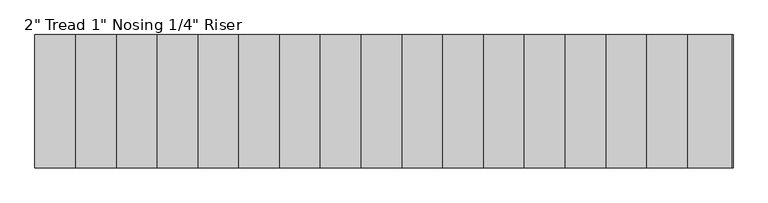
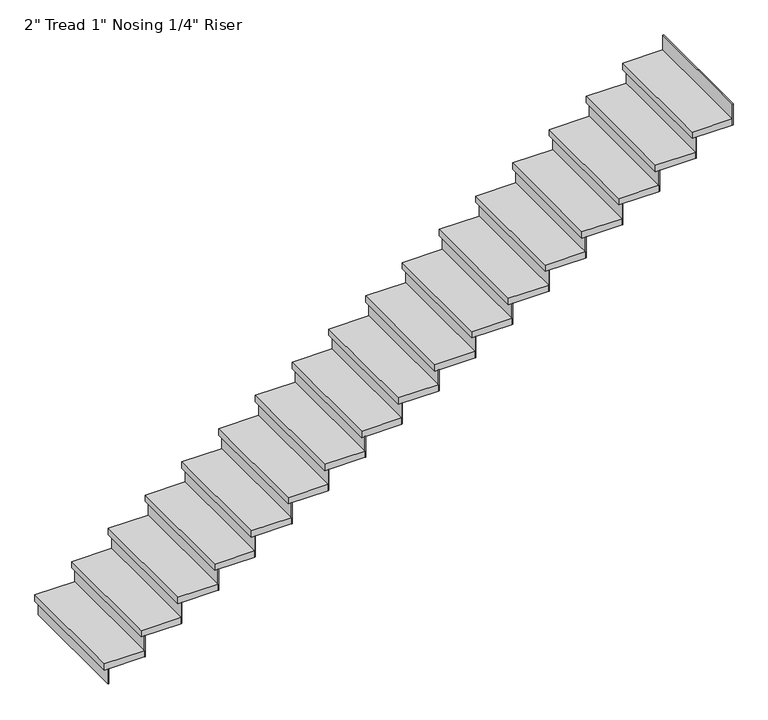
"""IFC4 building model written with IfcOpenShell, lengths in millimetres: stair flight geometry."""

from ifc_helpers import new_model, si_unit, frame, origin, origin_with_axes, place, context, project, spatial, polyline, outline, extrude, source, transform, mapped, element, save


def stair_flight_2fd9d57e(model_context):
    return source(origin(), model_context, "Body", "SweptSolid", [
        extrude(outline(polyline([(27521.2479917, 18465.9116882), (27514.8979917, 18465.9116882), (27514.8979917, 19380.3116882), (27521.2479917, 19380.3116882), (27521.2479917, 18465.9116882)])), origin_with_axes(), (0.0, 0.0, 1.0), 118.5333333),
        extrude(outline(polyline([(27794.2979917, 19380.3116882), (27794.2979917, 18465.9116882), (27489.4979917, 18465.9116882), (27489.4979917, 19380.3116882), (27794.2979917, 19380.3116882)])), frame((0.0, 0.0, 118.5333333), z_axis=(0.0, 0.0, 1.0), x_axis=(1.0, 0.0, 0.0)), (0.0, 0.0, 1.0), 50.8),
        extrude(outline(polyline([(27800.6479917, 18465.9116882), (27794.2979917, 18465.9116882), (27794.2979917, 19380.3116882), (27800.6479917, 19380.3116882), (27800.6479917, 18465.9116882)])), frame((0.0, 0.0, 118.5333333), z_axis=(0.0, 0.0, 1.0), x_axis=(1.0, 0.0, 0.0)), (0.0, 0.0, 1.0), 169.3333333),
        extrude(outline(polyline([(28073.6979917, 19380.3116882), (28073.6979917, 18465.9116882), (27768.8979917, 18465.9116882), (27768.8979917, 19380.3116882), (28073.6979917, 19380.3116882)])), frame((0.0, 0.0, 287.8666667), z_axis=(0.0, 0.0, 1.0), x_axis=(1.0, 0.0, 0.0)), (0.0, 0.0, 1.0), 50.8),
        extrude(outline(polyline([(28080.0479917, 18465.9116882), (28073.6979917, 18465.9116882), (28073.6979917, 19380.3116882), (28080.0479917, 19380.3116882), (28080.0479917, 18465.9116882)])), frame((0.0, 0.0, 287.8666667), z_axis=(0.0, 0.0, 1.0), x_axis=(1.0, 0.0, 0.0)), (0.0, 0.0, 1.0), 169.3333333),
        extrude(outline(polyline([(28353.0979917, 19380.3116882), (28353.0979917, 18465.9116882), (28048.2979917, 18465.9116882), (28048.2979917, 19380.3116882), (28353.0979917, 19380.3116882)])), frame((0.0, 0.0, 457.2), z_axis=(0.0, 0.0, 1.0), x_axis=(1.0, 0.0, 0.0)), (0.0, 0.0, 1.0), 50.8),
        extrude(outline(polyline([(28359.4479917, 18465.9116882), (28353.0979917, 18465.9116882), (28353.0979917, 19380.3116882), (28359.4479917, 19380.3116882), (28359.4479917, 18465.9116882)])), frame((0.0, 0.0, 457.2), z_axis=(0.0, 0.0, 1.0), x_axis=(1.0, 0.0, 0.0)), (0.0, 0.0, 1.0), 169.3333333),
        extrude(outline(polyline([(28632.4979917, 19380.3116882), (28632.4979917, 18465.9116882), (28327.6979917, 18465.9116882), (28327.6979917, 19380.3116882), (28632.4979917, 19380.3116882)])), frame((0.0, 0.0, 626.5333333), z_axis=(0.0, 0.0, 1.0), x_axis=(1.0, 0.0, 0.0)), (0.0, 0.0, 1.0), 50.8),
        extrude(outline(polyline([(28638.8479917, 18465.9116882), (28632.4979917, 18465.9116882), (28632.4979917, 19380.3116882), (28638.8479917, 19380.3116882), (28638.8479917, 18465.9116882)])), frame((0.0, 0.0, 626.5333333), z_axis=(0.0, 0.0, 1.0), x_axis=(1.0, 0.0, 0.0)), (0.0, 0.0, 1.0), 169.3333333),
        extrude(outline(polyline([(28911.8979917, 19380.3116882), (28911.8979917, 18465.9116882), (28607.0979917, 18465.9116882), (28607.0979917, 19380.3116882), (28911.8979917, 19380.3116882)])), frame((0.0, 0.0, 795.8666667), z_axis=(0.0, 0.0, 1.0), x_axis=(1.0, 0.0, 0.0)), (0.0, 0.0, 1.0), 50.8),
        extrude(outline(polyline([(28918.2479917, 18465.9116882), (28911.8979917, 18465.9116882), (28911.8979917, 19380.3116882), (28918.2479917, 19380.3116882), (28918.2479917, 18465.9116882)])), frame((0.0, 0.0, 795.8666667), z_axis=(0.0, 0.0, 1.0), x_axis=(1.0, 0.0, 0.0)), (0.0, 0.0, 1.0), 169.3333333),
        extrude(outline(polyline([(29191.2979917, 19380.3116882), (29191.2979917, 18465.9116882), (28886.4979917, 18465.9116882), (28886.4979917, 19380.3116882), (29191.2979917, 19380.3116882)])), frame((0.0, 0.0, 965.2), z_axis=(0.0, 0.0, 1.0), x_axis=(1.0, 0.0, 0.0)), (0.0, 0.0, 1.0), 50.8),
        extrude(outline(polyline([(29197.6479917, 18465.9116882), (29191.2979917, 18465.9116882), (29191.2979917, 19380.3116882), (29197.6479917, 19380.3116882), (29197.6479917, 18465.9116882)])), frame((0.0, 0.0, 965.2), z_axis=(0.0, 0.0, 1.0), x_axis=(1.0, 0.0, 0.0)), (0.0, 0.0, 1.0), 169.3333333),
        extrude(outline(polyline([(29470.6979917, 19380.3116882), (29470.6979917, 18465.9116882), (29165.8979917, 18465.9116882), (29165.8979917, 19380.3116882), (29470.6979917, 19380.3116882)])), frame((0.0, 0.0, 1134.5333333), z_axis=(0.0, 0.0, 1.0), x_axis=(1.0, 0.0, 0.0)), (0.0, 0.0, 1.0), 50.8),
        extrude(outline(polyline([(29477.0479917, 18465.9116882), (29470.6979917, 18465.9116882), (29470.6979917, 19380.3116882), (29477.0479917, 19380.3116882), (29477.0479917, 18465.9116882)])), frame((0.0, 0.0, 1134.5333333), z_axis=(0.0, 0.0, 1.0), x_axis=(1.0, 0.0, 0.0)), (0.0, 0.0, 1.0), 169.3333333),
        extrude(outline(polyline([(29750.0979917, 19380.3116882), (29750.0979917, 18465.9116882), (29445.2979917, 18465.9116882), (29445.2979917, 19380.3116882), (29750.0979917, 19380.3116882)])), frame((0.0, 0.0, 1303.8666667), z_axis=(0.0, 0.0, 1.0), x_axis=(1.0, 0.0, 0.0)), (0.0, 0.0, 1.0), 50.8),
        extrude(outline(polyline([(29756.4479917, 18465.9116882), (29750.0979917, 18465.9116882), (29750.0979917, 19380.3116882), (29756.4479917, 19380.3116882), (29756.4479917, 18465.9116882)])), frame((0.0, 0.0, 1303.8666667), z_axis=(0.0, 0.0, 1.0), x_axis=(1.0, 0.0, 0.0)), (0.0, 0.0, 1.0), 169.3333333),
        extrude(outline(polyline([(30029.4979917, 19380.3116882), (30029.4979917, 18465.9116882), (29724.6979917, 18465.9116882), (29724.6979917, 19380.3116882), (30029.4979917, 19380.3116882)])), frame((0.0, 0.0, 1473.2), z_axis=(0.0, 0.0, 1.0), x_axis=(1.0, 0.0, 0.0)), (0.0, 0.0, 1.0), 50.8),
        extrude(outline(polyline([(30035.8479917, 18465.9116882), (30029.4979917, 18465.9116882), (30029.4979917, 19380.3116882), (30035.8479917, 19380.3116882), (30035.8479917, 18465.9116882)])), frame((0.0, 0.0, 1473.2), z_axis=(0.0, 0.0, 1.0), x_axis=(1.0, 0.0, 0.0)), (0.0, 0.0, 1.0), 169.3333333),
        extrude(outline(polyline([(30308.8979917, 19380.3116882), (30308.8979917, 18465.9116882), (30004.0979917, 18465.9116882), (30004.0979917, 19380.3116882), (30308.8979917, 19380.3116882)])), frame((0.0, 0.0, 1642.5333333), z_axis=(0.0, 0.0, 1.0), x_axis=(1.0, 0.0, 0.0)), (0.0, 0.0, 1.0), 50.8),
        extrude(outline(polyline([(30315.2479917, 18465.9116882), (30308.8979917, 18465.9116882), (30308.8979917, 19380.3116882), (30315.2479917, 19380.3116882), (30315.2479917, 18465.9116882)])), frame((0.0, 0.0, 1642.5333333), z_axis=(0.0, 0.0, 1.0), x_axis=(1.0, 0.0, 0.0)), (0.0, 0.0, 1.0), 169.3333333),
        extrude(outline(polyline([(30588.2979917, 19380.3116882), (30588.2979917, 18465.9116882), (30283.4979917, 18465.9116882), (30283.4979917, 19380.3116882), (30588.2979917, 19380.3116882)])), frame((0.0, 0.0, 1811.8666667), z_axis=(0.0, 0.0, 1.0), x_axis=(1.0, 0.0, 0.0)), (0.0, 0.0, 1.0), 50.8),
        extrude(outline(polyline([(30594.6479917, 18465.9116882), (30588.2979917, 18465.9116882), (30588.2979917, 19380.3116882), (30594.6479917, 19380.3116882), (30594.6479917, 18465.9116882)])), frame((0.0, 0.0, 1811.8666667), z_axis=(0.0, 0.0, 1.0), x_axis=(1.0, 0.0, 0.0)), (0.0, 0.0, 1.0), 169.3333333),
        extrude(outline(polyline([(30867.6979917, 19380.3116882), (30867.6979917, 18465.9116882), (30562.8979917, 18465.9116882), (30562.8979917, 19380.3116882), (30867.6979917, 19380.3116882)])), frame((0.0, 0.0, 1981.2), z_axis=(0.0, 0.0, 1.0), x_axis=(1.0, 0.0, 0.0)), (0.0, 0.0, 1.0), 50.8),
        extrude(outline(polyline([(30874.0479917, 18465.9116882), (30867.6979917, 18465.9116882), (30867.6979917, 19380.3116882), (30874.0479917, 19380.3116882), (30874.0479917, 18465.9116882)])), frame((0.0, 0.0, 1981.2), z_axis=(0.0, 0.0, 1.0), x_axis=(1.0, 0.0, 0.0)), (0.0, 0.0, 1.0), 169.3333333),
        extrude(outline(polyline([(31147.0979917, 19380.3116882), (31147.0979917, 18465.9116882), (30842.2979917, 18465.9116882), (30842.2979917, 19380.3116882), (31147.0979917, 19380.3116882)])), frame((0.0, 0.0, 2150.5333333), z_axis=(0.0, 0.0, 1.0), x_axis=(1.0, 0.0, 0.0)), (0.0, 0.0, 1.0), 50.8),
        extrude(outline(polyline([(31153.4479917, 18465.9116882), (31147.0979917, 18465.9116882), (31147.0979917, 19380.3116882), (31153.4479917, 19380.3116882), (31153.4479917, 18465.9116882)])), frame((0.0, 0.0, 2150.5333333), z_axis=(0.0, 0.0, 1.0), x_axis=(1.0, 0.0, 0.0)), (0.0, 0.0, 1.0), 169.3333333),
        extrude(outline(polyline([(31426.4979917, 19380.3116882), (31426.4979917, 18465.9116882), (31121.6979917, 18465.9116882), (31121.6979917, 19380.3116882), (31426.4979917, 19380.3116882)])), frame((0.0, 0.0, 2319.8666667), z_axis=(0.0, 0.0, 1.0), x_axis=(1.0, 0.0, 0.0)), (0.0, 0.0, 1.0), 50.8),
        extrude(outline(polyline([(31432.8479917, 18465.9116882), (31426.4979917, 18465.9116882), (31426.4979917, 19380.3116882), (31432.8479917, 19380.3116882), (31432.8479917, 18465.9116882)])), frame((0.0, 0.0, 2319.8666667), z_axis=(0.0, 0.0, 1.0), x_axis=(1.0, 0.0, 0.0)), (0.0, 0.0, 1.0), 169.3333333),
        extrude(outline(polyline([(31705.8979917, 19380.3116882), (31705.8979917, 18465.9116882), (31401.0979917, 18465.9116882), (31401.0979917, 19380.3116882), (31705.8979917, 19380.3116882)])), frame((0.0, 0.0, 2489.2), z_axis=(0.0, 0.0, 1.0), x_axis=(1.0, 0.0, 0.0)), (0.0, 0.0, 1.0), 50.8),
        extrude(outline(polyline([(31712.2479917, 18465.9116882), (31705.8979917, 18465.9116882), (31705.8979917, 19380.3116882), (31712.2479917, 19380.3116882), (31712.2479917, 18465.9116882)])), frame((0.0, 0.0, 2489.2), z_axis=(0.0, 0.0, 1.0), x_axis=(1.0, 0.0, 0.0)), (0.0, 0.0, 1.0), 169.3333333),
        extrude(outline(polyline([(31985.2979917, 19380.3116882), (31985.2979917, 18465.9116882), (31680.4979917, 18465.9116882), (31680.4979917, 19380.3116882), (31985.2979917, 19380.3116882)])), frame((0.0, 0.0, 2658.5333333), z_axis=(0.0, 0.0, 1.0), x_axis=(1.0, 0.0, 0.0)), (0.0, 0.0, 1.0), 50.8),
        extrude(outline(polyline([(31991.6479917, 18465.9116882), (31985.2979917, 18465.9116882), (31985.2979917, 19380.3116882), (31991.6479917, 19380.3116882), (31991.6479917, 18465.9116882)])), frame((0.0, 0.0, 2658.5333333), z_axis=(0.0, 0.0, 1.0), x_axis=(1.0, 0.0, 0.0)), (0.0, 0.0, 1.0), 169.3333333),
        extrude(outline(polyline([(32271.0479917, 18465.9116882), (32264.6979917, 18465.9116882), (32264.6979917, 19380.3116882), (32271.0479917, 19380.3116882), (32271.0479917, 18465.9116882)])), frame((0.0, 0.0, 2827.8666667), z_axis=(0.0, 0.0, 1.0), x_axis=(1.0, 0.0, 0.0)), (0.0, 0.0, 1.0), 169.3333333),
        extrude(outline(polyline([(32264.6979917, 19380.3116882), (32264.6979917, 18465.9116882), (31959.8979917, 18465.9116882), (31959.8979917, 19380.3116882), (32264.6979917, 19380.3116882)])), frame((0.0, 0.0, 2827.8666667), z_axis=(0.0, 0.0, 1.0), x_axis=(1.0, 0.0, 0.0)), (0.0, 0.0, 1.0), 50.8),
    ])


if __name__ == "__main__":
    model = new_model("IFC4")
    model_context = context("Model", 3, world=origin())
    ifc_project = project(units=[si_unit("LENGTHUNIT", "METRE", prefix="MILLI")], contexts=[model_context])
    site = spatial("IfcSite", under=ifc_project)
    building = spatial("IfcBuilding", under=site)
    placement = place(None, origin())
    stair_flight_shape = stair_flight_2fd9d57e(model_context)
    element("IfcStairFlight", 1, ObjectType="2\" Tread 1\" Nosing 1/4\" Riser", at=placement, inside=building, context=model_context, shape_type="MappedRepresentation", body=[
        mapped(stair_flight_shape, transform((0.0, 0.0, 0.0), x_axis=(1.0, 0.0, 0.0), y_axis=(0.0, 1.0, 0.0), z_axis=(0.0, 0.0, 1.0))),
    ])
    save(model, "model.ifc")
